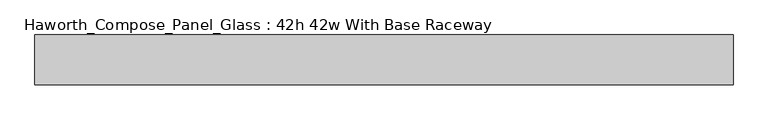
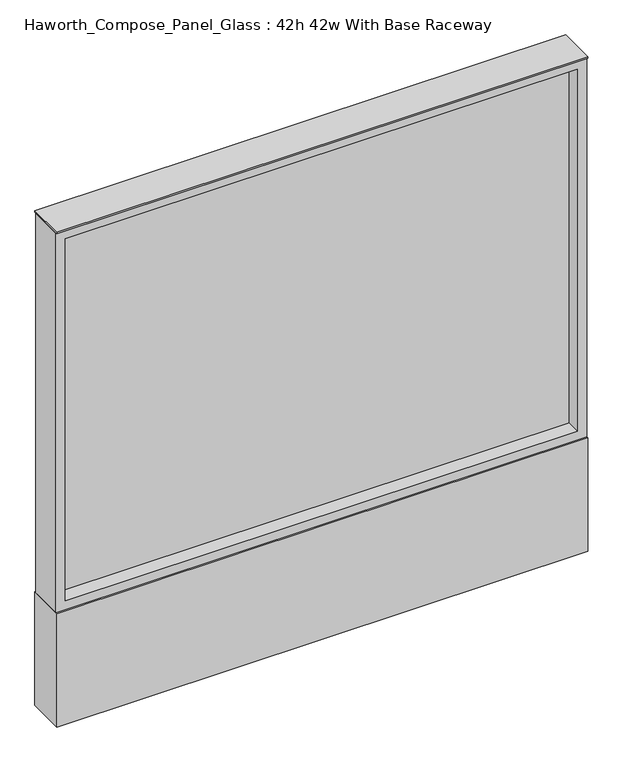
"""IFC4 building model written with IfcOpenShell, lengths in millimetres: furniture geometry, Haworth_Compose_Panel_Glass : 42h 42w With Base Raceway."""

from ifc_helpers import new_model, si_unit, point, frame, frame_2d, origin, origin_with_axes, place, context, project, spatial, polyline, circle_curve, trimmed, segment, composite_curve, outline, extrude, source, transform, mapped, element, save


def haworth_compose_panel_glass_42h_42w_with_base_raceway_6c4bfde7(model_context):
    return source(origin(), model_context, "Body", "SweptSolid", [
        extrude(outline(composite_curve([segment(trimmed(circle_curve(frame_2d((459.6402902, 0.0)), 12.7), [point((446.9402902, 0.0))], [point((472.3402902, 0.0))], False, "CARTESIAN"), True, "CONTINUOUS"), segment(trimmed(circle_curve(frame_2d((459.6402902, 0.0)), 12.7), [point((472.3402902, 0.0))], [point((446.9402902, 0.0))], False, "CARTESIAN"), True, "CONTINUOUS")], self_intersect=False)), origin_with_axes(), (0.0, 0.0, 1.0), 12.7),
        extrude(outline(composite_curve([segment(trimmed(circle_curve(frame_2d((-454.7597098, 0.0)), 12.7), [point((-467.4597098, 0.0))], [point((-442.0597098, 0.0))], False, "CARTESIAN"), True, "CONTINUOUS"), segment(trimmed(circle_curve(frame_2d((-454.7597098, 0.0)), 12.7), [point((-442.0597098, 0.0))], [point((-467.4597098, 0.0))], False, "CARTESIAN"), True, "CONTINUOUS")], self_intersect=False)), origin_with_axes(), (0.0, 0.0, 1.0), 12.7),
        extrude(outline(polyline([(516.7902902, -6.35), (-511.9097098, -6.35), (-511.9097098, 6.35), (516.7902902, 6.35), (516.7902902, -6.35)])), frame((0.0, 0.0, 273.05), z_axis=(0.0, 0.0, 1.0), x_axis=(1.0, 0.0, 0.0)), (0.0, 0.0, 1.0), 768.35),
        extrude(outline(polyline([(1060.45, -530.9597098), (254.0, -530.9597098), (254.0, 535.8402902), (1060.45, 535.8402902), (1060.45, -530.9597098)]), holes=[polyline([(1041.4, 516.7902902), (273.05, 516.7902902), (273.05, -511.9097098), (1041.4, -511.9097098), (1041.4, 516.7902902)])]), frame((0.0, -34.925, 0.0), z_axis=(0.0, 1.0, 0.0), x_axis=(0.0, 0.0, 1.0)), (0.0, 0.0, 1.0), 69.85),
        extrude(outline(polyline([(-530.9597098, 38.1), (535.8402902, 38.1), (535.8402902, -38.1), (-530.9597098, -38.1), (-530.9597098, 38.1)])), frame((0.0, 0.0, 12.7), z_axis=(0.0, 0.0, 1.0), x_axis=(1.0, 0.0, 0.0)), (0.0, 0.0, 1.0), 241.3),
        extrude(outline(polyline([(-530.9597098, -38.1), (-530.9597098, 38.1), (535.8402902, 38.1), (535.8402902, -38.1), (-530.9597098, -38.1)])), frame((0.0, 0.0, 1060.45), z_axis=(0.0, 0.0, 1.0), x_axis=(1.0, 0.0, 0.0)), (0.0, 0.0, 1.0), 3.175),
    ])


if __name__ == "__main__":
    model = new_model("IFC4")
    model_context = context("Model", 3, world=origin())
    ifc_project = project(units=[si_unit("LENGTHUNIT", "METRE", prefix="MILLI")], contexts=[model_context])
    site = spatial("IfcSite", under=ifc_project)
    building = spatial("IfcBuilding", under=site)
    placement = place(None, origin())
    haworth_compose_panel_glass_42h_42w_with_base_raceway_shape = haworth_compose_panel_glass_42h_42w_with_base_raceway_6c4bfde7(model_context)
    element("IfcFurniture", 1, ObjectType="Haworth_Compose_Panel_Glass : 42h 42w With Base Raceway", at=placement, inside=building, context=model_context, shape_type="MappedRepresentation", body=[
        mapped(haworth_compose_panel_glass_42h_42w_with_base_raceway_shape, transform((0.0, 0.0, 0.0), x_axis=(1.0, 0.0, 0.0), y_axis=(0.0, 1.0, 0.0), z_axis=(0.0, 0.0, 1.0))),
    ])
    save(model, "model.ifc")
